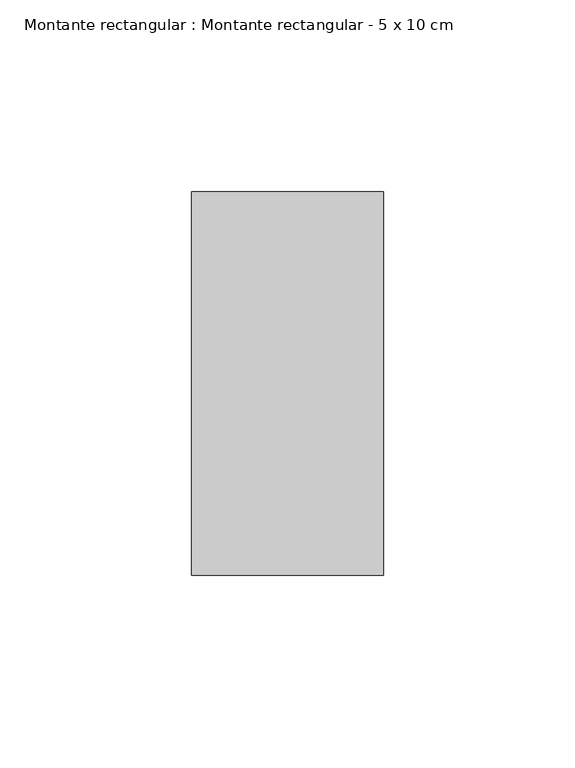
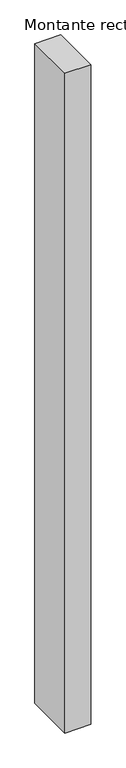
"""IFC4 building model written with IfcOpenShell, lengths in millimetres: member geometry, Montante rectangular : Montante rectangular - 5 x 10 cm."""

import ifcopenshell
import ifcopenshell.guid

model = None  # the IFC model being written
_history = None  # IfcOwnerHistory: only IFC2X3 demands one
_inside = {}  # id of a spatial element -> (the spatial element, [elements in it])
_under = {}  # id of a project, library or spatial element -> (it, [spatial elements below it])
_declared = {}  # id of a project -> (the project, [libraries it declares])
_typed = {}  # id of a type object -> (the type object, [elements of that type])
_made_of = {}  # id of a material, layer set ... -> (it, [elements and type objects made of it])


def new_model(schema):
    """Start an empty IFC model of exactly this schema.

    Asked for "IFC4X3", IfcOpenShell would pick the latest addendum, in which some entities
    have other attributes; the version numbers below select the first issue.
    IFC2X3 requires an IfcOwnerHistory on every rooted entity: one is made here for all.
    """
    global model, _history
    if schema == "IFC4X3":
        model = ifcopenshell.file(schema_version=(4, 3, 0, 0))
    else:
        model = ifcopenshell.file(schema=schema)
    _inside.clear()
    _under.clear()
    _declared.clear()
    _typed.clear()
    _made_of.clear()
    _history = None
    if model.schema == "IFC2X3":
        org = make("IfcOrganization", Name="unknown")
        user = make(
            "IfcPersonAndOrganization",
            ThePerson=make("IfcPerson", FamilyName="unknown"),
            TheOrganization=org,
        )
        app = make(
            "IfcApplication",
            ApplicationDeveloper=org,
            Version="unknown",
            ApplicationFullName="unknown",
            ApplicationIdentifier="unknown",
        )
        _history = make(
            "IfcOwnerHistory",
            OwningUser=user,
            OwningApplication=app,
            ChangeAction="ADDED",
            CreationDate=0,
        )
    return model


def make(cls, **values):
    """One entity of the class cls with the attributes given. An attribute that is None is left unset."""
    return model.create_entity(
        cls, **{name: value for name, value in values.items() if value is not None}
    )


def rooted(cls, **values):
    """An entity with a GlobalId (a new one), such as an element, a storey or a relation."""
    return make(cls, GlobalId=ifcopenshell.guid.new(), OwnerHistory=_history, **values)


def si_unit(unit_type, name, prefix=None):
    """IfcSIUnit, for example si_unit("LENGTHUNIT", "METRE", prefix="MILLI")."""
    return make("IfcSIUnit", UnitType=unit_type, Prefix=prefix, Name=name)


def assignment(units):
    """IfcUnitAssignment: the units of a project."""
    return None if units is None else make("IfcUnitAssignment", Units=units)


def point(xyz):
    """IfcCartesianPoint."""
    return None if xyz is None else make("IfcCartesianPoint", Coordinates=xyz)


def direction(xyz):
    """IfcDirection."""
    return None if xyz is None else make("IfcDirection", DirectionRatios=xyz)


def frame(location, z_axis=None, x_axis=None):
    """IfcAxis2Placement3D, a coordinate frame: its origin and axes. An axis left out is left unset."""
    return make(
        "IfcAxis2Placement3D",
        Location=point(location),
        Axis=direction(z_axis),
        RefDirection=direction(x_axis),
    )


def origin():
    """The frame at (0, 0, 0) with its axes left unset."""
    return frame((0.0, 0.0, 0.0))


def place(relative_to, where):
    """IfcLocalPlacement: puts the frame where relative to a parent placement (None: the world)."""
    return make(
        "IfcLocalPlacement", PlacementRelTo=relative_to, RelativePlacement=where
    )


def context(
    kind, dimensions, precision=None, world=None, true_north=None, identifier=None
):
    """IfcGeometricRepresentationContext, for example the 3D "Model" context."""
    return make(
        "IfcGeometricRepresentationContext",
        ContextIdentifier=identifier,
        ContextType=kind,
        CoordinateSpaceDimension=dimensions,
        Precision=precision,
        WorldCoordinateSystem=world,
        TrueNorth=true_north,
    )


def project(units=None, contexts=None):
    """IfcProject with its units and contexts."""
    return rooted(
        "IfcProject",
        Name="project",
        RepresentationContexts=contexts,
        UnitsInContext=assignment(units),
    )


def spatial(cls, under=None, at=None, **own):
    """A site, building, storey or space (cls), placed at a placement, below another one or the project."""
    s = rooted(cls, ObjectPlacement=at, **own)
    if under is not None:
        _under.setdefault(under.id(), (under, []))[1].append(s)
    return s


def polyline(points):
    """IfcPolyline through the points."""
    return make("IfcPolyline", Points=[point(p) for p in points])


def outline(outer, holes=None, kind="AREA"):
    """IfcArbitraryClosedProfileDef: a profile drawn as a closed curve; with holes, ...WithVoids."""
    if holes is None:
        return make("IfcArbitraryClosedProfileDef", ProfileType=kind, OuterCurve=outer)
    return make(
        "IfcArbitraryProfileDefWithVoids",
        ProfileType=kind,
        OuterCurve=outer,
        InnerCurves=holes,
    )


def extrude(swept, where, along, depth):
    """IfcExtrudedAreaSolid: the profile swept, set in the frame where, extruded along a direction by depth."""
    return make(
        "IfcExtrudedAreaSolid",
        SweptArea=swept,
        Position=where,
        ExtrudedDirection=direction(along),
        Depth=depth,
    )


def shape(context_of_items, identifier, shape_type, items):
    """IfcShapeRepresentation: the items that make up one representation, for example the "Body"."""
    return make(
        "IfcShapeRepresentation",
        ContextOfItems=context_of_items,
        RepresentationIdentifier=identifier,
        RepresentationType=shape_type,
        Items=items,
    )


def source(mapping_origin, context_of_items, identifier, shape_type, items):
    """IfcRepresentationMap: a shape defined once, which mapped items show again and again."""
    return make(
        "IfcRepresentationMap",
        MappingOrigin=mapping_origin,
        MappedRepresentation=shape(context_of_items, identifier, shape_type, items),
    )


def transform(
    local_origin,
    x_axis=None,
    y_axis=None,
    z_axis=None,
    scale=None,
    scale2=None,
    scale3=None,
    uniform=True,
):
    """IfcCartesianTransformationOperator3D, or its non-uniform kind. x_axis, y_axis, z_axis: its Axis1, 2, 3."""
    if uniform:
        return make(
            "IfcCartesianTransformationOperator3D",
            Axis1=direction(x_axis),
            Axis2=direction(y_axis),
            LocalOrigin=point(local_origin),
            Scale=scale,
            Axis3=direction(z_axis),
        )
    return make(
        "IfcCartesianTransformationOperator3DnonUniform",
        Axis1=direction(x_axis),
        Axis2=direction(y_axis),
        LocalOrigin=point(local_origin),
        Scale=scale,
        Axis3=direction(z_axis),
        Scale2=scale2,
        Scale3=scale3,
    )


def mapped(mapping_source, mapping_target):
    """IfcMappedItem: shows the shape of a source again, moved by a transform."""
    return make(
        "IfcMappedItem", MappingSource=mapping_source, MappingTarget=mapping_target
    )


def made_of(thing, what):
    """Note that an element or type object is made of a material, layer set ...; save() writes the relation."""
    if what is not None:
        _made_of.setdefault(what.id(), (what, []))[1].append(thing)
    return thing


def element(
    cls,
    number,
    at=None,
    inside=None,
    cuts=None,
    type_object=None,
    material=None,
    context=None,
    identifier="Body",
    shape_type=None,
    held_by="IfcProductDefinitionShape",
    body=None,
    shapes=None,
    **own,
):
    """One element of the class cls, such as IfcWall. Its Tag is "e" and its number.

    at: its placement. inside: the storey or other place that contains it. cuts: it is an
    opening in that element (IfcRelVoidsElement). A single representation is given by context,
    identifier, shape_type and body (its items); several are given by shapes. held_by: the class
    of the entity that holds the representations. save() writes the other relations.
    """
    e = rooted(cls, Tag="e%d" % number, ObjectPlacement=at, **own)
    if body is not None:
        shapes = [shape(context, identifier, shape_type, body)]
    if shapes is not None:
        e.Representation = make(held_by, Representations=shapes)
    if inside is not None:
        _inside.setdefault(inside.id(), (inside, []))[1].append(e)
    if cuts is not None:
        rooted(
            "IfcRelVoidsElement", RelatingBuildingElement=cuts, RelatedOpeningElement=e
        )
    if type_object is not None:
        _typed.setdefault(type_object.id(), (type_object, []))[1].append(e)
    return made_of(e, material)


def aggregate(whole, parts):
    """IfcRelAggregates: a whole, such as a stair, and the parts it consists of."""
    return rooted("IfcRelAggregates", RelatingObject=whole, RelatedObjects=parts)


def save(model, path):
    """Write the relations noted so far, then the file.

    IfcRelAggregates (storeys below a building ...), IfcRelContainedInSpatialStructure (elements
    in a storey), IfcRelDefinesByType, IfcRelAssociatesMaterial and IfcRelDeclares: one each for
    every whole, place, type object, material and project.
    """
    for whole, parts in _under.values():
        aggregate(whole, parts)
    for where, things in _inside.values():
        rooted(
            "IfcRelContainedInSpatialStructure",
            RelatedElements=things,
            RelatingStructure=where,
        )
    for kind, things in _typed.values():
        rooted("IfcRelDefinesByType", RelatedObjects=things, RelatingType=kind)
    for what, things in _made_of.values():
        rooted("IfcRelAssociatesMaterial", RelatedObjects=things, RelatingMaterial=what)
    for by, libraries in _declared.values():
        rooted("IfcRelDeclares", RelatingContext=by, RelatedDefinitions=libraries)
    model.write(path)


def montante_rectangular_montante_rectangular_5_x_10_cm_14b1929a(model_context):
    return source(origin(), model_context, "Body", "SweptSolid", [
        extrude(outline(polyline([(0.0, 50.0), (0.0, -50.0), (-50.0, -50.0), (-50.0, 50.0), (0.0, 50.0)])), frame((0.0, 0.0, -1340.157981), z_axis=(0.0, 0.0, 1.0), x_axis=(1.0, 0.0, 0.0)), (0.0, 0.0, 1.0), 1340.157981),
    ])


if __name__ == "__main__":
    model = new_model("IFC4")
    model_context = context("Model", 3, world=origin())
    ifc_project = project(units=[si_unit("LENGTHUNIT", "METRE", prefix="MILLI")], contexts=[model_context])
    site = spatial("IfcSite", under=ifc_project)
    building = spatial("IfcBuilding", under=site)
    placement = place(None, origin())
    montante_rectangular_montante_rectangular_5_x_10_cm_shape = montante_rectangular_montante_rectangular_5_x_10_cm_14b1929a(model_context)
    element("IfcMember", 1, ObjectType="Montante rectangular : Montante rectangular - 5 x 10 cm", at=placement, inside=building, context=model_context, shape_type="MappedRepresentation", body=[
        mapped(montante_rectangular_montante_rectangular_5_x_10_cm_shape, transform((0.0, 0.0, 0.0), x_axis=(1.0, 0.0, 0.0), y_axis=(0.0, 1.0, 0.0), z_axis=(0.0, 0.0, 1.0))),
    ])
    save(model, "model.ifc")
